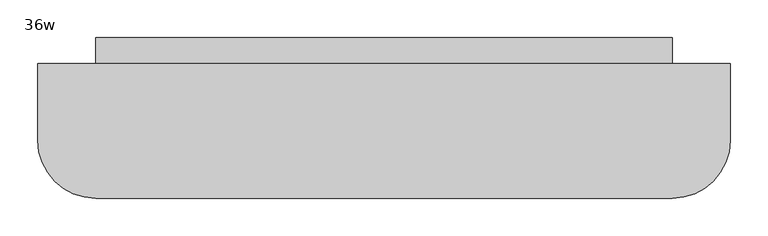
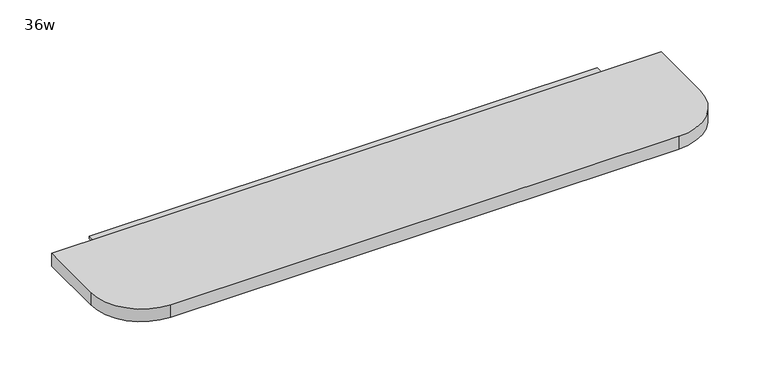
"""IFC4 building model written with IfcOpenShell, lengths in millimetres: furniture geometry, 36w."""

import ifcopenshell
import ifcopenshell.guid

model = None  # the IFC model being written
_history = None  # IfcOwnerHistory: only IFC2X3 demands one
_inside = {}  # id of a spatial element -> (the spatial element, [elements in it])
_under = {}  # id of a project, library or spatial element -> (it, [spatial elements below it])
_declared = {}  # id of a project -> (the project, [libraries it declares])
_typed = {}  # id of a type object -> (the type object, [elements of that type])
_made_of = {}  # id of a material, layer set ... -> (it, [elements and type objects made of it])


def new_model(schema):
    """Start an empty IFC model of exactly this schema.

    Asked for "IFC4X3", IfcOpenShell would pick the latest addendum, in which some entities
    have other attributes; the version numbers below select the first issue.
    IFC2X3 requires an IfcOwnerHistory on every rooted entity: one is made here for all.
    """
    global model, _history
    if schema == "IFC4X3":
        model = ifcopenshell.file(schema_version=(4, 3, 0, 0))
    else:
        model = ifcopenshell.file(schema=schema)
    _inside.clear()
    _under.clear()
    _declared.clear()
    _typed.clear()
    _made_of.clear()
    _history = None
    if model.schema == "IFC2X3":
        org = make("IfcOrganization", Name="unknown")
        user = make(
            "IfcPersonAndOrganization",
            ThePerson=make("IfcPerson", FamilyName="unknown"),
            TheOrganization=org,
        )
        app = make(
            "IfcApplication",
            ApplicationDeveloper=org,
            Version="unknown",
            ApplicationFullName="unknown",
            ApplicationIdentifier="unknown",
        )
        _history = make(
            "IfcOwnerHistory",
            OwningUser=user,
            OwningApplication=app,
            ChangeAction="ADDED",
            CreationDate=0,
        )
    return model


def make(cls, **values):
    """One entity of the class cls with the attributes given. An attribute that is None is left unset."""
    return model.create_entity(
        cls, **{name: value for name, value in values.items() if value is not None}
    )


def rooted(cls, **values):
    """An entity with a GlobalId (a new one), such as an element, a storey or a relation."""
    return make(cls, GlobalId=ifcopenshell.guid.new(), OwnerHistory=_history, **values)


def si_unit(unit_type, name, prefix=None):
    """IfcSIUnit, for example si_unit("LENGTHUNIT", "METRE", prefix="MILLI")."""
    return make("IfcSIUnit", UnitType=unit_type, Prefix=prefix, Name=name)


def assignment(units):
    """IfcUnitAssignment: the units of a project."""
    return None if units is None else make("IfcUnitAssignment", Units=units)


def point(xyz):
    """IfcCartesianPoint."""
    return None if xyz is None else make("IfcCartesianPoint", Coordinates=xyz)


def direction(xyz):
    """IfcDirection."""
    return None if xyz is None else make("IfcDirection", DirectionRatios=xyz)


def frame(location, z_axis=None, x_axis=None):
    """IfcAxis2Placement3D, a coordinate frame: its origin and axes. An axis left out is left unset."""
    return make(
        "IfcAxis2Placement3D",
        Location=point(location),
        Axis=direction(z_axis),
        RefDirection=direction(x_axis),
    )


def frame_2d(location, x_axis=None):
    """IfcAxis2Placement2D, a coordinate frame in the plane: its origin and x axis."""
    return make(
        "IfcAxis2Placement2D", Location=point(location), RefDirection=direction(x_axis)
    )


def origin():
    """The frame at (0, 0, 0) with its axes left unset."""
    return frame((0.0, 0.0, 0.0))


def place(relative_to, where):
    """IfcLocalPlacement: puts the frame where relative to a parent placement (None: the world)."""
    return make(
        "IfcLocalPlacement", PlacementRelTo=relative_to, RelativePlacement=where
    )


def context(
    kind, dimensions, precision=None, world=None, true_north=None, identifier=None
):
    """IfcGeometricRepresentationContext, for example the 3D "Model" context."""
    return make(
        "IfcGeometricRepresentationContext",
        ContextIdentifier=identifier,
        ContextType=kind,
        CoordinateSpaceDimension=dimensions,
        Precision=precision,
        WorldCoordinateSystem=world,
        TrueNorth=true_north,
    )


def project(units=None, contexts=None):
    """IfcProject with its units and contexts."""
    return rooted(
        "IfcProject",
        Name="project",
        RepresentationContexts=contexts,
        UnitsInContext=assignment(units),
    )


def spatial(cls, under=None, at=None, **own):
    """A site, building, storey or space (cls), placed at a placement, below another one or the project."""
    s = rooted(cls, ObjectPlacement=at, **own)
    if under is not None:
        _under.setdefault(under.id(), (under, []))[1].append(s)
    return s


def polyline(points):
    """IfcPolyline through the points."""
    return make("IfcPolyline", Points=[point(p) for p in points])


def circle_curve(where, radius):
    """IfcCircle in the frame where."""
    return make("IfcCircle", Position=where, Radius=radius)


def trimmed(basis, trim1, trim2, sense, master):
    """IfcTrimmedCurve: the piece of a basis curve between two trims."""
    return make(
        "IfcTrimmedCurve",
        BasisCurve=basis,
        Trim1=trim1,
        Trim2=trim2,
        SenseAgreement=sense,
        MasterRepresentation=master,
    )


def segment(curve, same_sense, transition):
    """IfcCompositeCurveSegment."""
    return make(
        "IfcCompositeCurveSegment",
        Transition=transition,
        SameSense=same_sense,
        ParentCurve=curve,
    )


def composite_curve(segments, self_intersect=None):
    """IfcCompositeCurve: segments joined end to end."""
    return make("IfcCompositeCurve", Segments=segments, SelfIntersect=self_intersect)


def outline(outer, holes=None, kind="AREA"):
    """IfcArbitraryClosedProfileDef: a profile drawn as a closed curve; with holes, ...WithVoids."""
    if holes is None:
        return make("IfcArbitraryClosedProfileDef", ProfileType=kind, OuterCurve=outer)
    return make(
        "IfcArbitraryProfileDefWithVoids",
        ProfileType=kind,
        OuterCurve=outer,
        InnerCurves=holes,
    )


def extrude(swept, where, along, depth):
    """IfcExtrudedAreaSolid: the profile swept, set in the frame where, extruded along a direction by depth."""
    return make(
        "IfcExtrudedAreaSolid",
        SweptArea=swept,
        Position=where,
        ExtrudedDirection=direction(along),
        Depth=depth,
    )


def shape(context_of_items, identifier, shape_type, items):
    """IfcShapeRepresentation: the items that make up one representation, for example the "Body"."""
    return make(
        "IfcShapeRepresentation",
        ContextOfItems=context_of_items,
        RepresentationIdentifier=identifier,
        RepresentationType=shape_type,
        Items=items,
    )


def source(mapping_origin, context_of_items, identifier, shape_type, items):
    """IfcRepresentationMap: a shape defined once, which mapped items show again and again."""
    return make(
        "IfcRepresentationMap",
        MappingOrigin=mapping_origin,
        MappedRepresentation=shape(context_of_items, identifier, shape_type, items),
    )


def transform(
    local_origin,
    x_axis=None,
    y_axis=None,
    z_axis=None,
    scale=None,
    scale2=None,
    scale3=None,
    uniform=True,
):
    """IfcCartesianTransformationOperator3D, or its non-uniform kind. x_axis, y_axis, z_axis: its Axis1, 2, 3."""
    if uniform:
        return make(
            "IfcCartesianTransformationOperator3D",
            Axis1=direction(x_axis),
            Axis2=direction(y_axis),
            LocalOrigin=point(local_origin),
            Scale=scale,
            Axis3=direction(z_axis),
        )
    return make(
        "IfcCartesianTransformationOperator3DnonUniform",
        Axis1=direction(x_axis),
        Axis2=direction(y_axis),
        LocalOrigin=point(local_origin),
        Scale=scale,
        Axis3=direction(z_axis),
        Scale2=scale2,
        Scale3=scale3,
    )


def mapped(mapping_source, mapping_target):
    """IfcMappedItem: shows the shape of a source again, moved by a transform."""
    return make(
        "IfcMappedItem", MappingSource=mapping_source, MappingTarget=mapping_target
    )


def made_of(thing, what):
    """Note that an element or type object is made of a material, layer set ...; save() writes the relation."""
    if what is not None:
        _made_of.setdefault(what.id(), (what, []))[1].append(thing)
    return thing


def element(
    cls,
    number,
    at=None,
    inside=None,
    cuts=None,
    type_object=None,
    material=None,
    context=None,
    identifier="Body",
    shape_type=None,
    held_by="IfcProductDefinitionShape",
    body=None,
    shapes=None,
    **own,
):
    """One element of the class cls, such as IfcWall. Its Tag is "e" and its number.

    at: its placement. inside: the storey or other place that contains it. cuts: it is an
    opening in that element (IfcRelVoidsElement). A single representation is given by context,
    identifier, shape_type and body (its items); several are given by shapes. held_by: the class
    of the entity that holds the representations. save() writes the other relations.
    """
    e = rooted(cls, Tag="e%d" % number, ObjectPlacement=at, **own)
    if body is not None:
        shapes = [shape(context, identifier, shape_type, body)]
    if shapes is not None:
        e.Representation = make(held_by, Representations=shapes)
    if inside is not None:
        _inside.setdefault(inside.id(), (inside, []))[1].append(e)
    if cuts is not None:
        rooted(
            "IfcRelVoidsElement", RelatingBuildingElement=cuts, RelatedOpeningElement=e
        )
    if type_object is not None:
        _typed.setdefault(type_object.id(), (type_object, []))[1].append(e)
    return made_of(e, material)


def aggregate(whole, parts):
    """IfcRelAggregates: a whole, such as a stair, and the parts it consists of."""
    return rooted("IfcRelAggregates", RelatingObject=whole, RelatedObjects=parts)


def save(model, path):
    """Write the relations noted so far, then the file.

    IfcRelAggregates (storeys below a building ...), IfcRelContainedInSpatialStructure (elements
    in a storey), IfcRelDefinesByType, IfcRelAssociatesMaterial and IfcRelDeclares: one each for
    every whole, place, type object, material and project.
    """
    for whole, parts in _under.values():
        aggregate(whole, parts)
    for where, things in _inside.values():
        rooted(
            "IfcRelContainedInSpatialStructure",
            RelatedElements=things,
            RelatingStructure=where,
        )
    for kind, things in _typed.values():
        rooted("IfcRelDefinesByType", RelatedObjects=things, RelatingType=kind)
    for what, things in _made_of.values():
        rooted("IfcRelAssociatesMaterial", RelatedObjects=things, RelatingMaterial=what)
    for by, libraries in _declared.values():
        rooted("IfcRelDeclares", RelatingContext=by, RelatedDefinitions=libraries)
    model.write(path)


def furniture_36w_f83e2722(model_context):
    return source(origin(), model_context, "Body", "SweptSolid", [
        extrude(outline(composite_curve([segment(polyline([(313.0409467, 545.9364026), (313.0409467, 428.8582776)]), True, "CONTINUOUS"), segment(trimmed(circle_curve(frame_2d((293.9909467, 428.8582776)), 19.05), [point((313.0409467, 428.8582776))], [point((293.9909467, 409.8082776))], False, "CARTESIAN"), True, "CONTINUOUS"), segment(polyline([(293.9909467, 409.8082776), (-429.9090533, 409.8082776)]), True, "CONTINUOUS"), segment(trimmed(circle_curve(frame_2d((-429.9090533, 428.8582776)), 19.05), [point((-429.9090533, 409.8082776))], [point((-448.9590533, 428.8582776))], False, "CARTESIAN"), True, "CONTINUOUS"), segment(polyline([(-448.9590533, 428.8582776), (-448.9590533, 545.9364026), (313.0409467, 545.9364026)]), True, "CONTINUOUS")], self_intersect=False)), frame((0.0, 0.0, 996.35945), z_axis=(0.0, 0.0, 1.0), x_axis=(1.0, 0.0, 0.0)), (0.0, 0.0, 1.0), 3.96875),
        extrude(outline(composite_curve([segment(polyline([(389.2409467, 511.4082776), (389.2409467, 409.8082776)]), True, "CONTINUOUS"), segment(trimmed(circle_curve(frame_2d((313.0409467, 409.8082776)), 76.2), [point((389.2409467, 409.8082776))], [point((313.0409467, 333.6082776))], False, "CARTESIAN"), True, "CONTINUOUS"), segment(polyline([(313.0409467, 333.6082776), (-448.9590533, 333.6082776)]), True, "CONTINUOUS"), segment(trimmed(circle_curve(frame_2d((-448.9590533, 409.8082776)), 76.2), [point((-448.9590533, 333.6082776))], [point((-525.1590533, 409.8082776))], False, "CARTESIAN"), True, "CONTINUOUS"), segment(polyline([(-525.1590533, 409.8082776), (-525.1590533, 511.4082776), (389.2409467, 511.4082776)]), True, "CONTINUOUS")], self_intersect=False)), frame((0.0, 0.0, 1000.3282), z_axis=(0.0, 0.0, 1.0), x_axis=(1.0, 0.0, 0.0)), (0.0, 0.0, 1.0), 19.9429687),
    ])


if __name__ == "__main__":
    model = new_model("IFC4")
    model_context = context("Model", 3, world=origin())
    ifc_project = project(units=[si_unit("LENGTHUNIT", "METRE", prefix="MILLI")], contexts=[model_context])
    site = spatial("IfcSite", under=ifc_project)
    building = spatial("IfcBuilding", under=site)
    placement = place(None, origin())
    furniture_36w_shape = furniture_36w_f83e2722(model_context)
    element("IfcFurniture", 1, ObjectType="36w", at=placement, inside=building, context=model_context, shape_type="MappedRepresentation", body=[
        mapped(furniture_36w_shape, transform((0.0, 0.0, 0.0), x_axis=(1.0, 0.0, 0.0), y_axis=(0.0, 1.0, 0.0), z_axis=(0.0, 0.0, 1.0))),
    ])
    save(model, "model.ifc")
